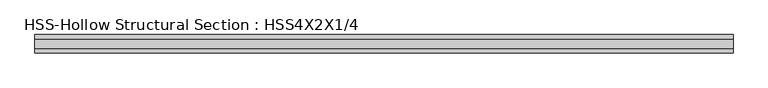
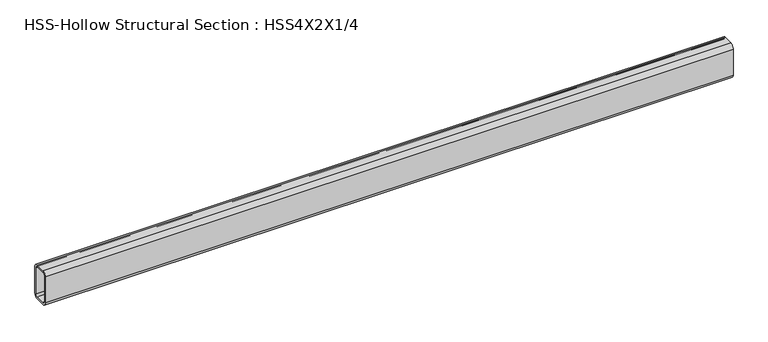
"""IFC4 building model written with IfcOpenShell, lengths in millimetres: beam geometry, HSS-Hollow Structural Section : HSS4X2X1/4."""

from ifc_helpers import new_model, si_unit, point, frame, frame_2d, origin, place, context, project, spatial, polyline, circle_curve, trimmed, segment, composite_curve, outline, extrude, source, transform, mapped, element, save


def hss_hollow_structural_section_hss4x2x1_4_2da9b4e8(model_context):
    return source(origin(), model_context, "Body", "SweptSolid", [
        extrude(outline(composite_curve([segment(polyline([(25.4, 38.9636), (25.4, -38.9636)]), True, "CONTINUOUS"), segment(trimmed(circle_curve(frame_2d((13.5636, -38.9636)), 11.8364), [point((25.4, -38.9636))], [point((13.5636, -50.8))], False, "CARTESIAN"), True, "CONTINUOUS"), segment(polyline([(13.5636, -50.8), (-13.5636, -50.8)]), True, "CONTINUOUS"), segment(trimmed(circle_curve(frame_2d((-13.5636, -38.9636)), 11.8364), [point((-13.5636, -50.8))], [point((-25.4, -38.9636))], False, "CARTESIAN"), True, "CONTINUOUS"), segment(polyline([(-25.4, -38.9636), (-25.4, 38.9636)]), True, "CONTINUOUS"), segment(trimmed(circle_curve(frame_2d((-13.5636, 38.9636)), 11.8364), [point((-25.4, 38.9636))], [point((-13.5636, 50.8))], False, "CARTESIAN"), True, "CONTINUOUS"), segment(polyline([(-13.5636, 50.8), (13.5636, 50.8)]), True, "CONTINUOUS"), segment(trimmed(circle_curve(frame_2d((13.5636, 38.9636)), 11.8364), [point((13.5636, 50.8))], [point((25.4, 38.9636))], False, "CARTESIAN"), True, "CONTINUOUS")], self_intersect=False), holes=[composite_curve([segment(trimmed(circle_curve(frame_2d((-13.5636, 38.9636)), 5.9182), [point((-13.5636, 44.8818))], [point((-19.4818, 38.9636))], True, "CARTESIAN"), True, "CONTINUOUS"), segment(polyline([(-19.4818, 38.9636), (-19.4818, -38.9636)]), True, "CONTINUOUS"), segment(trimmed(circle_curve(frame_2d((-13.5636, -38.9636)), 5.9182), [point((-19.4818, -38.9636))], [point((-13.5636, -44.8818))], True, "CARTESIAN"), True, "CONTINUOUS"), segment(polyline([(-13.5636, -44.8818), (13.5636, -44.8818)]), True, "CONTINUOUS"), segment(trimmed(circle_curve(frame_2d((13.5636, -38.9636)), 5.9182), [point((13.5636, -44.8818))], [point((19.4818, -38.9636))], True, "CARTESIAN"), True, "CONTINUOUS"), segment(polyline([(19.4818, -38.9636), (19.4818, 38.9636)]), True, "CONTINUOUS"), segment(trimmed(circle_curve(frame_2d((13.5636, 38.9636)), 5.9182), [point((19.4818, 38.9636))], [point((13.5636, 44.8818))], True, "CARTESIAN"), True, "CONTINUOUS"), segment(polyline([(13.5636, 44.8818), (-13.5636, 44.8818)]), True, "CONTINUOUS")], self_intersect=False)]), frame((-975.5268248, 0.0, 0.0), z_axis=(1.0, 0.0, 0.0), x_axis=(0.0, 1.0, 0.0)), (0.0, 0.0, 1.0), 1950.6219936),
    ])


if __name__ == "__main__":
    model = new_model("IFC4")
    model_context = context("Model", 3, world=origin())
    ifc_project = project(units=[si_unit("LENGTHUNIT", "METRE", prefix="MILLI")], contexts=[model_context])
    site = spatial("IfcSite", under=ifc_project)
    building = spatial("IfcBuilding", under=site)
    placement = place(None, origin())
    hss_hollow_structural_section_hss4x2x1_4_shape = hss_hollow_structural_section_hss4x2x1_4_2da9b4e8(model_context)
    element("IfcBeam", 1, ObjectType="HSS-Hollow Structural Section : HSS4X2X1/4", at=placement, inside=building, context=model_context, shape_type="MappedRepresentation", body=[
        mapped(hss_hollow_structural_section_hss4x2x1_4_shape, transform((0.0, 0.0, 0.0), x_axis=(1.0, 0.0, 0.0), y_axis=(0.0, 1.0, 0.0), z_axis=(0.0, 0.0, 1.0))),
    ])
    save(model, "model.ifc")
